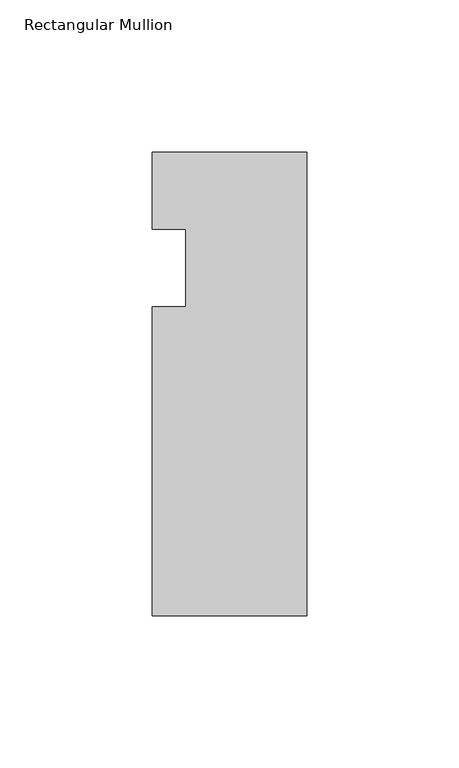
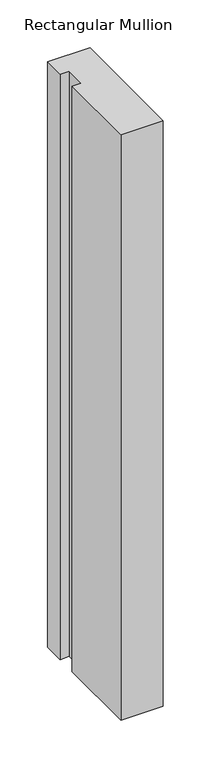
"""IFC4 building model written with IfcOpenShell, lengths in millimetres: member geometry, Rectangular Mullion."""

import ifcopenshell
import ifcopenshell.guid

model = None  # the IFC model being written
_history = None  # IfcOwnerHistory: only IFC2X3 demands one
_inside = {}  # id of a spatial element -> (the spatial element, [elements in it])
_under = {}  # id of a project, library or spatial element -> (it, [spatial elements below it])
_declared = {}  # id of a project -> (the project, [libraries it declares])
_typed = {}  # id of a type object -> (the type object, [elements of that type])
_made_of = {}  # id of a material, layer set ... -> (it, [elements and type objects made of it])


def new_model(schema):
    """Start an empty IFC model of exactly this schema.

    Asked for "IFC4X3", IfcOpenShell would pick the latest addendum, in which some entities
    have other attributes; the version numbers below select the first issue.
    IFC2X3 requires an IfcOwnerHistory on every rooted entity: one is made here for all.
    """
    global model, _history
    if schema == "IFC4X3":
        model = ifcopenshell.file(schema_version=(4, 3, 0, 0))
    else:
        model = ifcopenshell.file(schema=schema)
    _inside.clear()
    _under.clear()
    _declared.clear()
    _typed.clear()
    _made_of.clear()
    _history = None
    if model.schema == "IFC2X3":
        org = make("IfcOrganization", Name="unknown")
        user = make(
            "IfcPersonAndOrganization",
            ThePerson=make("IfcPerson", FamilyName="unknown"),
            TheOrganization=org,
        )
        app = make(
            "IfcApplication",
            ApplicationDeveloper=org,
            Version="unknown",
            ApplicationFullName="unknown",
            ApplicationIdentifier="unknown",
        )
        _history = make(
            "IfcOwnerHistory",
            OwningUser=user,
            OwningApplication=app,
            ChangeAction="ADDED",
            CreationDate=0,
        )
    return model


def make(cls, **values):
    """One entity of the class cls with the attributes given. An attribute that is None is left unset."""
    return model.create_entity(
        cls, **{name: value for name, value in values.items() if value is not None}
    )


def rooted(cls, **values):
    """An entity with a GlobalId (a new one), such as an element, a storey or a relation."""
    return make(cls, GlobalId=ifcopenshell.guid.new(), OwnerHistory=_history, **values)


def si_unit(unit_type, name, prefix=None):
    """IfcSIUnit, for example si_unit("LENGTHUNIT", "METRE", prefix="MILLI")."""
    return make("IfcSIUnit", UnitType=unit_type, Prefix=prefix, Name=name)


def assignment(units):
    """IfcUnitAssignment: the units of a project."""
    return None if units is None else make("IfcUnitAssignment", Units=units)


def point(xyz):
    """IfcCartesianPoint."""
    return None if xyz is None else make("IfcCartesianPoint", Coordinates=xyz)


def direction(xyz):
    """IfcDirection."""
    return None if xyz is None else make("IfcDirection", DirectionRatios=xyz)


def frame(location, z_axis=None, x_axis=None):
    """IfcAxis2Placement3D, a coordinate frame: its origin and axes. An axis left out is left unset."""
    return make(
        "IfcAxis2Placement3D",
        Location=point(location),
        Axis=direction(z_axis),
        RefDirection=direction(x_axis),
    )


def origin():
    """The frame at (0, 0, 0) with its axes left unset."""
    return frame((0.0, 0.0, 0.0))


def place(relative_to, where):
    """IfcLocalPlacement: puts the frame where relative to a parent placement (None: the world)."""
    return make(
        "IfcLocalPlacement", PlacementRelTo=relative_to, RelativePlacement=where
    )


def context(
    kind, dimensions, precision=None, world=None, true_north=None, identifier=None
):
    """IfcGeometricRepresentationContext, for example the 3D "Model" context."""
    return make(
        "IfcGeometricRepresentationContext",
        ContextIdentifier=identifier,
        ContextType=kind,
        CoordinateSpaceDimension=dimensions,
        Precision=precision,
        WorldCoordinateSystem=world,
        TrueNorth=true_north,
    )


def project(units=None, contexts=None):
    """IfcProject with its units and contexts."""
    return rooted(
        "IfcProject",
        Name="project",
        RepresentationContexts=contexts,
        UnitsInContext=assignment(units),
    )


def spatial(cls, under=None, at=None, **own):
    """A site, building, storey or space (cls), placed at a placement, below another one or the project."""
    s = rooted(cls, ObjectPlacement=at, **own)
    if under is not None:
        _under.setdefault(under.id(), (under, []))[1].append(s)
    return s


def polyline(points):
    """IfcPolyline through the points."""
    return make("IfcPolyline", Points=[point(p) for p in points])


def outline(outer, holes=None, kind="AREA"):
    """IfcArbitraryClosedProfileDef: a profile drawn as a closed curve; with holes, ...WithVoids."""
    if holes is None:
        return make("IfcArbitraryClosedProfileDef", ProfileType=kind, OuterCurve=outer)
    return make(
        "IfcArbitraryProfileDefWithVoids",
        ProfileType=kind,
        OuterCurve=outer,
        InnerCurves=holes,
    )


def extrude(swept, where, along, depth):
    """IfcExtrudedAreaSolid: the profile swept, set in the frame where, extruded along a direction by depth."""
    return make(
        "IfcExtrudedAreaSolid",
        SweptArea=swept,
        Position=where,
        ExtrudedDirection=direction(along),
        Depth=depth,
    )


def shape(context_of_items, identifier, shape_type, items):
    """IfcShapeRepresentation: the items that make up one representation, for example the "Body"."""
    return make(
        "IfcShapeRepresentation",
        ContextOfItems=context_of_items,
        RepresentationIdentifier=identifier,
        RepresentationType=shape_type,
        Items=items,
    )


def source(mapping_origin, context_of_items, identifier, shape_type, items):
    """IfcRepresentationMap: a shape defined once, which mapped items show again and again."""
    return make(
        "IfcRepresentationMap",
        MappingOrigin=mapping_origin,
        MappedRepresentation=shape(context_of_items, identifier, shape_type, items),
    )


def transform(
    local_origin,
    x_axis=None,
    y_axis=None,
    z_axis=None,
    scale=None,
    scale2=None,
    scale3=None,
    uniform=True,
):
    """IfcCartesianTransformationOperator3D, or its non-uniform kind. x_axis, y_axis, z_axis: its Axis1, 2, 3."""
    if uniform:
        return make(
            "IfcCartesianTransformationOperator3D",
            Axis1=direction(x_axis),
            Axis2=direction(y_axis),
            LocalOrigin=point(local_origin),
            Scale=scale,
            Axis3=direction(z_axis),
        )
    return make(
        "IfcCartesianTransformationOperator3DnonUniform",
        Axis1=direction(x_axis),
        Axis2=direction(y_axis),
        LocalOrigin=point(local_origin),
        Scale=scale,
        Axis3=direction(z_axis),
        Scale2=scale2,
        Scale3=scale3,
    )


def mapped(mapping_source, mapping_target):
    """IfcMappedItem: shows the shape of a source again, moved by a transform."""
    return make(
        "IfcMappedItem", MappingSource=mapping_source, MappingTarget=mapping_target
    )


def made_of(thing, what):
    """Note that an element or type object is made of a material, layer set ...; save() writes the relation."""
    if what is not None:
        _made_of.setdefault(what.id(), (what, []))[1].append(thing)
    return thing


def element(
    cls,
    number,
    at=None,
    inside=None,
    cuts=None,
    type_object=None,
    material=None,
    context=None,
    identifier="Body",
    shape_type=None,
    held_by="IfcProductDefinitionShape",
    body=None,
    shapes=None,
    **own,
):
    """One element of the class cls, such as IfcWall. Its Tag is "e" and its number.

    at: its placement. inside: the storey or other place that contains it. cuts: it is an
    opening in that element (IfcRelVoidsElement). A single representation is given by context,
    identifier, shape_type and body (its items); several are given by shapes. held_by: the class
    of the entity that holds the representations. save() writes the other relations.
    """
    e = rooted(cls, Tag="e%d" % number, ObjectPlacement=at, **own)
    if body is not None:
        shapes = [shape(context, identifier, shape_type, body)]
    if shapes is not None:
        e.Representation = make(held_by, Representations=shapes)
    if inside is not None:
        _inside.setdefault(inside.id(), (inside, []))[1].append(e)
    if cuts is not None:
        rooted(
            "IfcRelVoidsElement", RelatingBuildingElement=cuts, RelatedOpeningElement=e
        )
    if type_object is not None:
        _typed.setdefault(type_object.id(), (type_object, []))[1].append(e)
    return made_of(e, material)


def aggregate(whole, parts):
    """IfcRelAggregates: a whole, such as a stair, and the parts it consists of."""
    return rooted("IfcRelAggregates", RelatingObject=whole, RelatedObjects=parts)


def save(model, path):
    """Write the relations noted so far, then the file.

    IfcRelAggregates (storeys below a building ...), IfcRelContainedInSpatialStructure (elements
    in a storey), IfcRelDefinesByType, IfcRelAssociatesMaterial and IfcRelDeclares: one each for
    every whole, place, type object, material and project.
    """
    for whole, parts in _under.values():
        aggregate(whole, parts)
    for where, things in _inside.values():
        rooted(
            "IfcRelContainedInSpatialStructure",
            RelatedElements=things,
            RelatingStructure=where,
        )
    for kind, things in _typed.values():
        rooted("IfcRelDefinesByType", RelatedObjects=things, RelatingType=kind)
    for what, things in _made_of.values():
        rooted("IfcRelAssociatesMaterial", RelatedObjects=things, RelatingMaterial=what)
    for by, libraries in _declared.values():
        rooted("IfcRelDeclares", RelatingContext=by, RelatedDefinitions=libraries)
    model.write(path)


def rectangular_mullion_2a075c3b(model_context):
    return source(origin(), model_context, "Body", "SweptSolid", [
        extrude(outline(polyline([(0.0, 0.0), (0.0, -152.4), (-50.8, -152.4), (-50.8, -50.8), (-39.798625, -50.8), (-39.798625, -25.4), (-50.8, -25.4), (-50.8, 0.0), (0.0, 0.0)])), frame((0.0, 0.0, -745.0666667), z_axis=(0.0, 0.0, 1.0), x_axis=(1.0, 0.0, 0.0)), (0.0, 0.0, 1.0), 745.0666667),
    ])


if __name__ == "__main__":
    model = new_model("IFC4")
    model_context = context("Model", 3, world=origin())
    ifc_project = project(units=[si_unit("LENGTHUNIT", "METRE", prefix="MILLI")], contexts=[model_context])
    site = spatial("IfcSite", under=ifc_project)
    building = spatial("IfcBuilding", under=site)
    placement = place(None, origin())
    rectangular_mullion_shape = rectangular_mullion_2a075c3b(model_context)
    element("IfcMember", 1, ObjectType="Rectangular Mullion", at=placement, inside=building, context=model_context, shape_type="MappedRepresentation", body=[
        mapped(rectangular_mullion_shape, transform((0.0, 0.0, 0.0), x_axis=(1.0, 0.0, 0.0), y_axis=(0.0, 1.0, 0.0), z_axis=(0.0, 0.0, 1.0))),
    ])
    save(model, "model.ifc")
